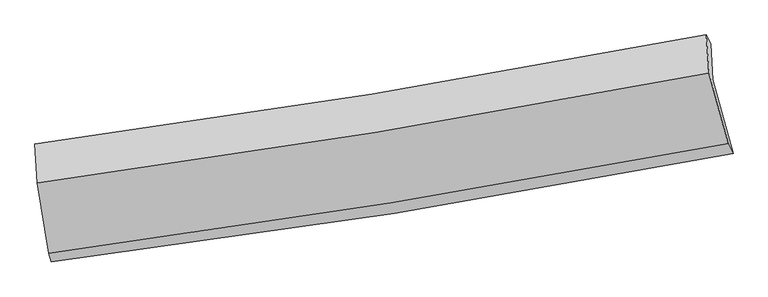
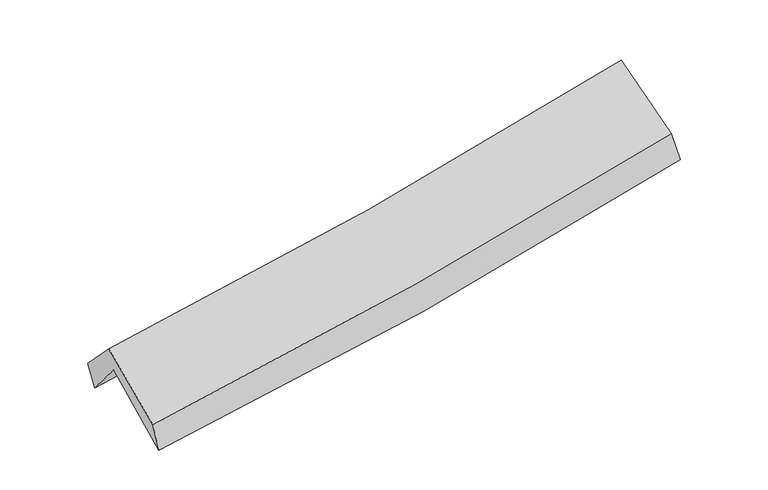
"""IFC4 building model written with IfcOpenShell, lengths in millimetres: proxy geometry."""

from ifc_helpers import new_model, si_unit, frame, origin, place, context, project, spatial, source, transform, mapped, element, save
from ifc_brep_helpers import plane_surface, spline_curve, spline_surface, advanced_brep


def generic_models_20a010df(model_context):
    return source(origin(), model_context, "Body", "AdvancedBrep", [
        advanced_brep(
        [(-2277.5019438, -2463.3865004, 1492.9550573), (-2358.7754127, -1965.2061119, 1918.6167157), (2292.6930929, -1204.9735941, 2345.7725064), (2434.0009899, -1713.2465071, 1915.3874335), (-2372.1404468, -1711.6132206, 1612.8946897), (2281.1862454, -958.9934377, 2033.1256122), (-2389.2000017, -1647.8696346, 1791.5952513), (2248.716655, -893.9792122, 2220.0105549), (-2372.773495, -1917.2006624, 2074.6565968), (2267.4531504, -1159.5291741, 2499.7025228), (-2294.3746875, -2407.3326336, 1685.0009413), (2400.1011368, -1645.7151884, 2111.0937932)],
        [
            (0, 1),
            (1, 2, spline_curve(3, [(-2358.7754127, -1965.2061119, 1918.6167157), (-1576.651700863, -1858.821916159, 1970.896443614), (-797.13311086, -1742.117504988, 2032.730421801), (753.333906812, -1488.617595308, 2175.198145076), (1524.304818853, -1351.91116695, 2255.749430628), (2292.6930929, -1204.9735941, 2345.7725064)], [4, 2, 4], [0.0, 7.828821602445359, 15.623785894339289])),
            (2, 3),
            (3, 0, spline_curve(3, [(2434.0009899, -1713.2465071, 1915.3874335), (1656.588467244, -1865.048522999, 1822.776938075), (876.11444345, -2003.355040799, 1741.321052883), (-694.359881457, -2253.519194593, 1600.413150584), (-1484.386835484, -2365.259341405, 1541.058243806), (-2277.5019438, -2463.3865004, 1492.9550573)], [4, 2, 4], [0.0, 7.79496429189393, 15.623785894339289])),
            (1, 4),
            (4, 5, spline_curve(3, [(-2372.1404468, -1711.6132206, 1612.8946897), (-1589.477925284, -1604.943249051, 1656.443614054), (-809.534993501, -1488.733406654, 1713.342074116), (741.550431742, -1237.777810024, 1853.534264124), (1512.716397448, -1103.114391496, 1936.712778225), (2281.1862454, -958.9934377, 2033.1256122)], [4, 2, 4], [0.0, 7.781815325453551, 15.529976628436408])),
            (5, 2),
            (4, 6),
            (6, 7, spline_curve(3, [(-2389.2000017, -1647.8696346, 1791.5952513), (-1609.226022235, -1543.977376987, 1845.052954391), (-831.914189912, -1429.04703578, 1907.580058608), (714.035052847, -1177.654962159, 2050.463434934), (1482.695439272, -1041.28849578, 2130.741432061), (2248.716655, -893.9792122, 2220.0105549)], [4, 2, 4], [0.0, 7.770141324237336, 15.506679112565639])),
            (7, 5),
            (6, 8),
            (8, 9, spline_curve(3, [(-2372.773495, -1917.2006624, 2074.6565968), (-1592.482449048, -1811.521153502, 2126.31077192), (-814.819092727, -1695.382667063, 2187.6560666), (731.900443807, -1442.735236081, 2329.421682969), (1500.979302412, -1306.316559499, 2409.758363875), (2267.4531504, -1159.5291741, 2499.7025228)], [4, 2, 4], [0.0, 7.760355968124603, 15.487150719076961])),
            (9, 7),
            (8, 10),
            (10, 11, spline_curve(3, [(-2294.3746875, -2407.3326336, 1685.0009413), (-1505.299712479, -2300.096560974, 1737.540790808), (-718.713529441, -2182.851223138, 1799.415585297), (846.090265278, -1928.89235434, 1941.527103091), (1624.329357083, -1792.265210727, 2021.683259291), (2400.1011368, -1645.7151884, 2111.0937932)], [4, 2, 4], [0.0, 7.806829680276483, 15.579897158483542])),
            (11, 9),
            (10, 0),
            (3, 11),
        ],
        [
            spline_surface(3, 3, [[(-2277.5019438, -2463.3865004, 1492.9550573), (-1484.386835584, -2365.259341398, 1541.058243687), (-694.359881497, -2253.519194706, 1600.4131506), (876.11444349, -2003.355040687, 1741.321052866), (1656.588467275, -1865.048522934, 1822.776938034), (2434.0009899, -1713.2465071, 1915.3874335)], [(-2304.593100084, -2297.326370876, 1634.842276737), (-1515.141790684, -2196.44686633, 1684.337643672), (-728.617624647, -2083.051964816, 1744.518907639), (835.187597958, -1831.775892166, 1885.946750298), (1612.493917775, -1694.002737631, 1967.101102255), (2386.898357564, -1543.82220276, 2058.849124469)], [(-2331.684256416, -2131.266241424, 1776.729496263), (-1545.896745831, -2027.634391335, 1827.617043747), (-762.875367794, -1912.584734993, 1888.624664678), (794.260752428, -1660.196743713, 2030.572447729), (1568.399368285, -1522.956952345, 2111.425266469), (2339.795725236, -1374.39789844, 2202.310815431)], [(-2358.7754127, -1965.2061119, 1918.6167157), (-1576.651700931, -1858.821916267, 1970.896443732), (-797.133110944, -1742.117505104, 2032.730421717), (753.333906897, -1488.617595193, 2175.19814516), (1524.304818786, -1351.911167042, 2255.74943069), (2292.6930929, -1204.9735941, 2345.7725064)]], [4, 4], [4, 2, 4], [0.0, 2.23365204579342], [0.0, 7.828821602445359, 15.623785894339289]),
            spline_surface(3, 3, [[(-2358.7754127, -1965.2061119, 1918.6167157), (-1576.651700931, -1858.821916267, 1970.896443732), (-797.133110944, -1742.117505104, 2032.730421717), (753.333906897, -1488.617595193, 2175.19814516), (1524.304818786, -1351.911167042, 2255.74943069), (2292.6930929, -1204.9735941, 2345.7725064)], [(-2363.230424064, -1880.675148156, 1816.70937371), (-1580.927109055, -1774.195693885, 1866.078833846), (-801.267071807, -1657.656138969, 1926.267639166), (749.406081894, -1405.004333454, 2067.976851459), (1520.442011696, -1268.978908477, 2149.403879848), (2288.857477056, -1122.980208622, 2241.556874993)], [(-2367.685435436, -1796.144184344, 1714.80203169), (-1585.202517186, -1689.569471434, 1761.261223932), (-805.401032728, -1573.194772836, 1819.804856675), (745.478256834, -1321.391071716, 1960.755557818), (1516.579204638, -1186.046649944, 2043.058329029), (2285.021861244, -1040.986823178, 2137.341243607)], [(-2372.1404468, -1711.6132206, 1612.8946897), (-1589.477925311, -1604.943249051, 1656.443614046), (-809.534993591, -1488.733406701, 1713.342074124), (741.550431832, -1237.777809976, 1853.534264117), (1512.716397547, -1103.114391379, 1936.712778188), (2281.1862454, -958.9934377, 2033.1256122)]], [4, 4], [4, 2, 4], [0.0, 1.3384993103064653], [0.0, 7.781815325453551, 15.529976628436408]),
            spline_surface(3, 3, [[(-2372.1404468, -1711.6132206, 1612.8946897), (-1589.477925311, -1604.943249051, 1656.443614046), (-809.534993591, -1488.733406701, 1713.342074124), (741.550431832, -1237.777809976, 1853.534264117), (1512.716397547, -1103.114391379, 1936.712778188), (2281.1862454, -958.9934377, 2033.1256122)], [(-2377.82696511, -1690.365358576, 1672.461543577), (-1596.060624323, -1584.621291697, 1719.313394208), (-816.994725704, -1468.837949769, 1778.088068958), (732.378638818, -1217.736860682, 1919.177321101), (1502.709411476, -1082.505759507, 2001.388996168), (2270.363048614, -937.32202921, 2095.420593082)], [(-2383.51348339, -1669.117496624, 1732.028397423), (-1602.643323303, -1564.299334415, 1782.183174339), (-824.45445778, -1448.942492808, 1842.834063716), (723.206845841, -1197.695911358, 1984.820378009), (1492.702425361, -1061.897127604, 2066.065214203), (2259.539851786, -915.65062069, 2157.715574018)], [(-2389.2000017, -1647.8696346, 1791.5952513), (-1609.226022315, -1543.97737706, 1845.0529545), (-831.914189892, -1429.047035876, 1907.580058549), (714.035052827, -1177.654962063, 2050.463434993), (1482.69543929, -1041.288495731, 2130.741432184), (2248.716655, -893.9792122, 2220.0105549)]], [4, 4], [4, 2, 4], [0.0, 0.6760512292795745], [0.0, 7.770141324237336, 15.506679112565639]),
            spline_surface(3, 3, [[(-2389.2000017, -1647.8696346, 1791.5952513), (-1609.226022315, -1543.97737706, 1845.0529545), (-831.914189892, -1429.047035876, 1907.580058549), (714.035052827, -1177.654962063, 2050.463434993), (1482.69543929, -1041.288495731, 2130.741432184), (2248.716655, -893.9792122, 2220.0105549)], [(-2383.724499469, -1737.646643874, 1885.949033134), (-1603.644831227, -1633.158635847, 1938.805560332), (-826.215824136, -1517.825579617, 2000.938727862), (719.99018312, -1266.015053393, 2143.449517647), (1488.790060321, -1129.631183667, 2223.747076075), (2254.96215345, -982.495866151, 2313.241210891)], [(-2378.248997231, -1827.423653126, 1980.302814966), (-1598.063640132, -1722.339894613, 2032.558166161), (-820.51745838, -1606.604123353, 2094.297397238), (725.945313413, -1354.37514472, 2236.435600364), (1494.884681402, -1217.973871649, 2316.752719892), (2261.20765195, -1071.012520149, 2406.471866809)], [(-2372.773495, -1917.2006624, 2074.6565968), (-1592.482449044, -1811.5211534, 2126.310771992), (-814.819092625, -1695.382667094, 2187.656066551), (731.900443705, -1442.73523605, 2329.421683018), (1500.979302434, -1306.316559585, 2409.758363783), (2267.4531504, -1159.5291741, 2499.7025228)]], [4, 4], [4, 2, 4], [0.0, 1.266586291990503], [0.0, 7.760355968124603, 15.487150719076961]),
            spline_surface(3, 3, [[(-2372.773495, -1917.2006624, 2074.6565968), (-1592.482449044, -1811.5211534, 2126.310771992), (-814.819092625, -1695.382667094, 2187.656066551), (731.900443705, -1442.73523605, 2329.421683018), (1500.979302434, -1306.316559585, 2409.758363783), (2267.4531504, -1159.5291741, 2499.7025228)], [(-2346.640559165, -2080.57798613, 1944.7713783), (-1563.421536812, -1974.37962262, 1996.720778289), (-782.783904889, -1857.87218576, 2058.242572816), (769.963717585, -1604.787608836, 2200.123489702), (1542.095987359, -1468.299443267, 2280.399995596), (2311.669145885, -1321.59117886, 2370.166279593)], [(-2320.507623335, -2243.95530987, 1814.8861598), (-1534.360624587, -2137.238091848, 1867.130784585), (-750.748717198, -2020.361704415, 1928.829079067), (808.026991419, -1766.83998161, 2070.825296372), (1583.212672229, -1630.282326969, 2151.04162743), (2355.885141315, -1483.65318364, 2240.630036407)], [(-2294.3746875, -2407.3326336, 1685.0009413), (-1505.299712355, -2300.096561068, 1737.540790881), (-718.713529462, -2182.851223082, 1799.415585332), (846.090265299, -1928.892354395, 1941.527103057), (1624.329357154, -1792.265210651, 2021.683259244), (2400.1011368, -1645.7151884, 2111.0937932)]], [4, 4], [4, 2, 4], [0.0, 2.071440061990797], [0.0, 7.806829680276483, 15.579897158483542]),
            spline_surface(3, 3, [[(-2294.3746875, -2407.3326336, 1685.0009413), (-1505.299712355, -2300.096561068, 1737.540790881), (-718.713529462, -2182.851223082, 1799.415585332), (846.090265299, -1928.892354395, 1941.527103057), (1624.329357154, -1792.265210651, 2021.683259244), (2400.1011368, -1645.7151884, 2111.0937932)], [(-2288.750439608, -2426.017255888, 1620.985646643), (-1498.328753439, -2321.817487866, 1672.046608493), (-710.595646828, -2206.407213631, 1733.081440433), (856.098324675, -1953.713249834, 1874.791753005), (1635.082393858, -1816.526314774, 1955.381152179), (2411.401087831, -1668.225627995, 2045.858339971)], [(-2283.126191692, -2444.701878112, 1556.970351957), (-1491.3577945, -2343.5384146, 1606.552426076), (-702.477764131, -2229.963204157, 1666.747295499), (866.106384114, -1978.534145248, 1808.056402918), (1645.83543057, -1840.787418811, 1889.079045099), (2422.701038869, -1690.736067505, 1980.622886729)], [(-2277.5019438, -2463.3865004, 1492.9550573), (-1484.386835584, -2365.259341398, 1541.058243687), (-694.359881497, -2253.519194706, 1600.4131506), (876.11444349, -2003.355040687, 1741.321052866), (1656.588467275, -1865.048522934, 1822.776938034), (2434.0009899, -1713.2465071, 1915.3874335)]], [4, 4], [4, 2, 4], [0.0, 0.7024667917123959], [0.0, 7.863634269785824, 15.693260674652127]),
            plane_surface(frame((2320.6918784, -1262.7395189, 2187.5154038), z_axis=(0.9775986256832476, 0.1814031673441457, 0.10674182844479181), x_axis=(0.20843901337993453, -0.7639779226502108, -0.610647943912258))),
            plane_surface(frame((-2344.1276646, -2018.7681272, 1762.6198754), z_axis=(-0.9917817582756423, -0.11636956331759456, -0.05317018605334878), x_axis=(-0.08404042007558017, 0.2791952872865695, 0.956549632455363))),
        ],
        [
            (0, [[1, 2, 3, 4]]),
            (1, [[5, 6, 7, -2]]),
            (2, [[8, 9, 10, -6]]),
            (3, [[11, 12, 13, -9]]),
            (4, [[14, 15, 16, -12]]),
            (5, [[17, -4, 18, -15]]),
            (6, [[-16, -18, -3, -7, -10, -13]]),
            (7, [[-17, -14, -11, -8, -5, -1]]),
        ],
    ),
    ])


if __name__ == "__main__":
    model = new_model("IFC4")
    model_context = context("Model", 3, world=origin())
    ifc_project = project(units=[si_unit("LENGTHUNIT", "METRE", prefix="MILLI")], contexts=[model_context])
    site = spatial("IfcSite", under=ifc_project)
    building = spatial("IfcBuilding", under=site)
    placement = place(None, origin())
    generic_models_shape = generic_models_20a010df(model_context)
    element("IfcBuildingElementProxy", 1, Name="Generic Models", at=placement, inside=building, context=model_context, shape_type="MappedRepresentation", body=[
        mapped(generic_models_shape, transform((0.0, 0.0, 0.0), x_axis=(1.0, 0.0, 0.0), y_axis=(0.0, 1.0, 0.0), z_axis=(0.0, 0.0, 1.0))),
    ])
    save(model, "model.ifc")
